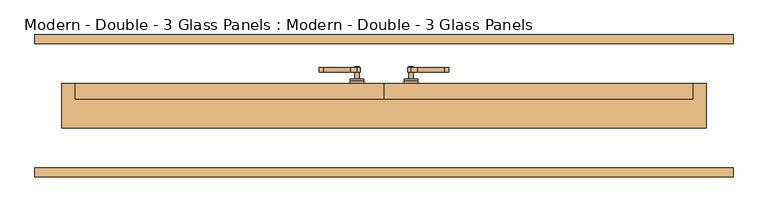
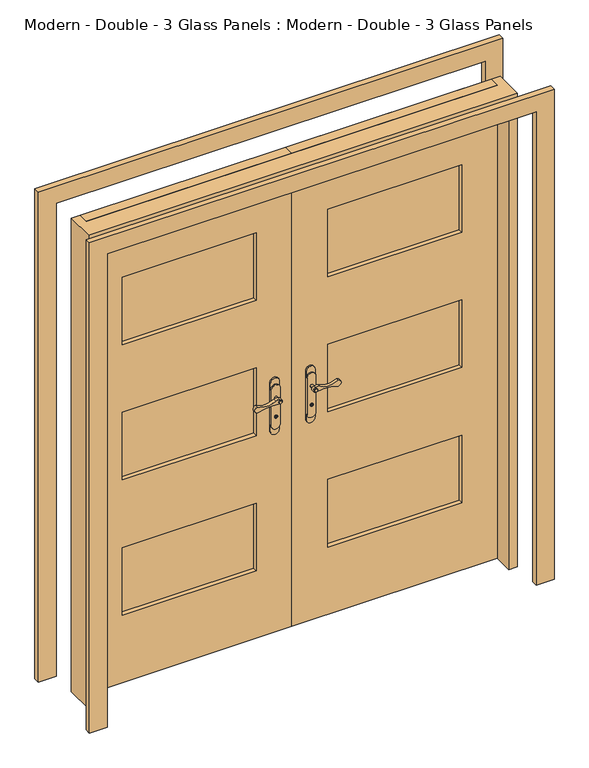
"""IFC4 building model written with IfcOpenShell, lengths in millimetres: door geometry, Modern - Double - 3 Glass Panels : Modern - Double - 3 Glass Panels."""

from ifc_helpers import new_model, si_unit, point, frame, frame_2d, origin, place, context, project, spatial, polyline, circle_curve, trimmed, segment, composite_curve, outline, extrude, source, transform, mapped, element, save
from ifc_brep_helpers import plane_surface, cylinder_surface, advanced_brep


def modern_double_3_glass_panels_modern_double_3_glass_panels_abd31b5a(model_context):
    return source(origin(), model_context, "Body", "SolidModel", [
        advanced_brep(
        [(95.25, 63.5, 1132.4166667), (57.15, 63.5, 1132.4166667), (57.15, 63.5, 916.5166667), (95.25, 63.5, 916.5166667), (95.25, 76.2, 1105.0743866), (95.25, 76.2, 943.8589467), (57.15, 76.2, 943.8589467), (57.15, 76.2, 1105.0743866), (95.25, 69.85, 916.5166667), (95.25, 69.85, 943.8589467), (95.25, 69.85, 1105.0743866), (95.25, 69.85, 1132.4166667), (57.15, 69.85, 1132.4166667), (57.15, 69.85, 1105.0743866), (57.15, 69.85, 943.8589467), (57.15, 69.85, 916.5166667)],
        [
            (0, 1, circle_curve(frame((76.2, 63.5, 1132.4166667), z_axis=(0.0, -1.0, 0.0), x_axis=(-1.0, 0.0, 0.0)), 19.05)),
            (1, 2),
            (2, 3, circle_curve(frame((76.2, 63.5, 916.5166667), z_axis=(0.0, -1.0, 0.0), x_axis=(-1.0, 0.0, 0.0)), 19.05)),
            (3, 0),
            (4, 5),
            (5, 6, circle_curve(frame((76.2, 76.2, 943.8589467), z_axis=(0.0, 1.0, 0.0), x_axis=(0.0, 0.0, -1.0)), 19.05)),
            (6, 7),
            (7, 4, circle_curve(frame((76.2, 76.2, 1105.0743866), z_axis=(0.0, 1.0, 0.0), x_axis=(0.0, 0.0, 1.0)), 19.05)),
            (3, 8),
            (8, 9),
            (9, 5),
            (4, 10),
            (10, 11),
            (11, 0),
            (1, 12),
            (12, 13),
            (13, 7),
            (6, 14),
            (14, 15),
            (15, 2),
            (15, 8, circle_curve(frame((76.2, 69.85, 916.5166667), z_axis=(0.0, -1.0, 0.0), x_axis=(-1.0, 0.0, 0.0)), 19.05)),
            (11, 12, circle_curve(frame((76.2, 69.85, 1132.4166667), z_axis=(0.0, -1.0, 0.0), x_axis=(-1.0, 0.0, 0.0)), 19.05)),
            (10, 13, circle_curve(frame((76.2, 69.85, 1105.0743866), z_axis=(0.0, -1.0, 0.0), x_axis=(0.0, 0.0, 1.0)), 19.05)),
            (14, 9, circle_curve(frame((76.2, 69.85, 943.8589467), z_axis=(0.0, -1.0, 0.0), x_axis=(0.0, 0.0, -1.0)), 19.05)),
        ],
        [
            plane_surface(frame((95.25, 63.5, 916.5166667), z_axis=(0.0, -1.0, 0.0), x_axis=(0.0, 0.0, -1.0))),
            plane_surface(frame((95.25, 76.2, 916.5166667), z_axis=(0.0, 1.0, 0.0), x_axis=(0.0, 0.0, 1.0))),
            plane_surface(frame((95.25, 63.5, 1132.4166667), z_axis=(1.0, 0.0, 0.0), x_axis=(0.0, 1.0, 0.0))),
            plane_surface(frame((57.15, 63.5, 916.5166667), z_axis=(-1.0, 0.0, 0.0), x_axis=(0.0, 1.0, 0.0))),
            cylinder_surface(frame((76.2, 76.2, 916.5166667), z_axis=(0.0, -1.0, 0.0), x_axis=(-1.0, 0.0, 0.0)), 19.05),
            cylinder_surface(frame((76.2, 76.2, 1132.4166667), z_axis=(0.0, -1.0, 0.0), x_axis=(-1.0, 0.0, 0.0)), 19.05),
            plane_surface(frame((76.2, 69.85, 1118.7455266), z_axis=(0.0, 1.0, 0.0), x_axis=(0.0, 0.0, 1.0))),
            cylinder_surface(frame((76.2, 76.2, 1105.0743866), z_axis=(0.0, -1.0, 0.0), x_axis=(0.0, 0.0, 1.0)), 19.05),
            plane_surface(frame((76.2, 69.85, 930.1878067), z_axis=(0.0, 1.0, 0.0), x_axis=(0.0, 0.0, -1.0))),
            cylinder_surface(frame((76.2, 76.2, 943.8589467), z_axis=(0.0, -1.0, 0.0), x_axis=(0.0, 0.0, -1.0)), 19.05),
        ],
        [
            (0, [[1, 2, 3, 4]]),
            (1, [[5, 6, 7, 8]]),
            (2, [[9, 10, 11, -5, 12, 13, 14, -4]]),
            (3, [[15, 16, 17, -7, 18, 19, 20, -2]]),
            (4, [[-20, 21, -9, -3]]),
            (5, [[-14, 22, -15, -1]]),
            (6, [[-16, -22, -13, 23]]),
            (7, [[-12, -8, -17, -23]]),
            (8, [[-10, -21, -19, 24]]),
            (9, [[-18, -6, -11, -24]]),
        ],
    ),
        extrude(outline(composite_curve([segment(trimmed(circle_curve(frame_2d((982.1333333, 76.2)), 6.35), [point((982.1333333, 82.55))], [point((982.1333333, 69.85))], False, "CARTESIAN"), True, "CONTINUOUS"), segment(trimmed(circle_curve(frame_2d((982.1333333, 76.2)), 6.35), [point((982.1333333, 69.85))], [point((982.1333333, 82.55))], False, "CARTESIAN"), True, "CONTINUOUS")], self_intersect=False), holes=[polyline([(981.4560325, 79.375), (981.4560325, 78.3483539), (980.5458333, 77.4381547), (981.687774, 76.296214), (980.5645366, 75.5741243), (981.7247245, 74.4139365), (980.5458333, 73.025), (982.9798553, 73.025), (983.7208333, 74.0832264), (982.8490687, 74.954991), (983.7208333, 76.2), (982.7550797, 77.7022656), (983.7208333, 79.375), (981.4560325, 79.375)])]), frame((0.0, 76.2, 0.0), z_axis=(0.0, 1.0, 0.0), x_axis=(0.0, 0.0, 1.0)), (0.0, 0.0, 1.0), 3.175),
        extrude(outline(composite_curve([segment(trimmed(circle_curve(frame_2d((1062.764615, 85.725)), 16.5713508), [point((1076.325, 95.25))], [point((1076.325, 76.2))], False, "CARTESIAN"), True, "CONTINUOUS"), segment(trimmed(circle_curve(frame_2d((1066.8, 76.2)), 9.525), [point((1076.325, 76.2))], [point((1057.2959575, 75.5684929))], False, "CARTESIAN"), True, "CONTINUOUS"), segment(trimmed(circle_curve(frame_2d((872.8577428, 111.465699)), 187.8990805), [point((1057.2959575, 75.5684929))], [point((1050.925, 171.45))], True, "CARTESIAN"), True, "CONTINUOUS"), segment(trimmed(circle_curve(frame_2d((1063.625, 171.45)), 12.7), [point((1050.925, 171.45))], [point((1076.325, 171.45))], False, "CARTESIAN"), True, "CONTINUOUS"), segment(trimmed(circle_curve(frame_2d((1146.9573284, 133.35)), 80.2529489), [point((1076.325, 171.45))], [point((1076.325, 95.25))], True, "CARTESIAN"), True, "CONTINUOUS")], self_intersect=False)), frame((0.0, 95.25, 0.0), z_axis=(0.0, 1.0, 0.0), x_axis=(0.0, 0.0, 1.0)), (0.0, 0.0, 1.0), 12.7),
        extrude(outline(composite_curve([segment(trimmed(circle_curve(frame_2d((1066.8, 76.2)), 6.35), [point((1066.8, 82.55))], [point((1066.8, 69.85))], False, "CARTESIAN"), True, "CONTINUOUS"), segment(trimmed(circle_curve(frame_2d((1066.8, 76.2)), 6.35), [point((1066.8, 69.85))], [point((1066.8, 82.55))], False, "CARTESIAN"), True, "CONTINUOUS")], self_intersect=False)), frame((0.0, 76.2, 0.0), z_axis=(0.0, 1.0, 0.0), x_axis=(0.0, 0.0, 1.0)), (0.0, 0.0, 1.0), 34.925),
        advanced_brep(
        [(95.25, 19.05, 1132.4166667), (95.25, 19.05, 916.5166667), (57.15, 19.05, 916.5166667), (57.15, 19.05, 1132.4166667), (95.25, 6.35, 1105.0743866), (57.15, 6.35, 1105.0743866), (57.15, 6.35, 943.8589467), (95.25, 6.35, 943.8589467), (95.25, 12.7, 1132.4166667), (95.25, 12.7, 1105.0743866), (95.25, 12.7, 943.8589467), (95.25, 12.7, 916.5166667), (57.15, 12.7, 916.5166667), (57.15, 12.7, 943.8589467), (57.15, 12.7, 1105.0743866), (57.15, 12.7, 1132.4166667)],
        [
            (0, 1),
            (1, 2, circle_curve(frame((76.2, 19.05, 916.5166667), z_axis=(0.0, 1.0, 0.0), x_axis=(-1.0, 0.0, 0.0)), 19.05)),
            (2, 3),
            (3, 0, circle_curve(frame((76.2, 19.05, 1132.4166667), z_axis=(0.0, 1.0, 0.0), x_axis=(-1.0, 0.0, 0.0)), 19.05)),
            (4, 5, circle_curve(frame((76.2, 6.35, 1105.0743866), z_axis=(0.0, -1.0, 0.0), x_axis=(0.0, 0.0, 1.0)), 19.05)),
            (5, 6),
            (6, 7, circle_curve(frame((76.2, 6.35, 943.8589467), z_axis=(0.0, -1.0, 0.0), x_axis=(0.0, 0.0, -1.0)), 19.05)),
            (7, 4),
            (0, 8),
            (8, 9),
            (9, 4),
            (7, 10),
            (10, 11),
            (11, 1),
            (2, 12),
            (12, 13),
            (13, 6),
            (5, 14),
            (14, 15),
            (15, 3),
            (11, 12, circle_curve(frame((76.2, 12.7, 916.5166667), z_axis=(0.0, 1.0, 0.0), x_axis=(-1.0, 0.0, 0.0)), 19.05)),
            (15, 8, circle_curve(frame((76.2, 12.7, 1132.4166667), z_axis=(0.0, 1.0, 0.0), x_axis=(-1.0, 0.0, 0.0)), 19.05)),
            (14, 9, circle_curve(frame((76.2, 12.7, 1105.0743866), z_axis=(0.0, 1.0, 0.0), x_axis=(0.0, 0.0, 1.0)), 19.05)),
            (10, 13, circle_curve(frame((76.2, 12.7, 943.8589467), z_axis=(0.0, 1.0, 0.0), x_axis=(0.0, 0.0, -1.0)), 19.05)),
        ],
        [
            plane_surface(frame((95.25, 19.05, 916.5166667), z_axis=(0.0, 1.0, 0.0), x_axis=(0.0, 0.0, -1.0))),
            plane_surface(frame((95.25, 6.35, 916.5166667), z_axis=(0.0, -1.0, 0.0), x_axis=(0.0, 0.0, 1.0))),
            plane_surface(frame((95.25, 19.05, 1132.4166667), z_axis=(1.0, 0.0, 0.0), x_axis=(0.0, -1.0, 0.0))),
            plane_surface(frame((57.15, 19.05, 916.5166667), z_axis=(-1.0, 0.0, 0.0), x_axis=(0.0, -1.0, 0.0))),
            cylinder_surface(frame((76.2, 6.35, 916.5166667), z_axis=(0.0, 1.0, 0.0), x_axis=(-1.0, 0.0, 0.0)), 19.05),
            cylinder_surface(frame((76.2, 6.35, 1132.4166667), z_axis=(0.0, 1.0, 0.0), x_axis=(-1.0, 0.0, 0.0)), 19.05),
            plane_surface(frame((76.2, 12.7, 1118.7455266), z_axis=(0.0, -1.0, 0.0), x_axis=(0.0, 0.0, 1.0))),
            cylinder_surface(frame((76.2, 6.35, 1105.0743866), z_axis=(0.0, 1.0, 0.0), x_axis=(0.0, 0.0, 1.0)), 19.05),
            plane_surface(frame((76.2, 12.7, 930.1878067), z_axis=(0.0, -1.0, 0.0), x_axis=(0.0, 0.0, -1.0))),
            cylinder_surface(frame((76.2, 6.35, 943.8589467), z_axis=(0.0, 1.0, 0.0), x_axis=(0.0, 0.0, -1.0)), 19.05),
        ],
        [
            (0, [[1, 2, 3, 4]]),
            (1, [[5, 6, 7, 8]]),
            (2, [[-1, 9, 10, 11, -8, 12, 13, 14]]),
            (3, [[-3, 15, 16, 17, -6, 18, 19, 20]]),
            (4, [[-2, -14, 21, -15]]),
            (5, [[-4, -20, 22, -9]]),
            (6, [[23, -10, -22, -19]]),
            (7, [[-23, -18, -5, -11]]),
            (8, [[24, -16, -21, -13]]),
            (9, [[-24, -12, -7, -17]]),
        ],
    ),
        extrude(outline(composite_curve([segment(trimmed(circle_curve(frame_2d((982.1333333, 76.2)), 6.35), [point((982.1333333, 82.55))], [point((982.1333333, 69.85))], False, "CARTESIAN"), True, "CONTINUOUS"), segment(trimmed(circle_curve(frame_2d((982.1333333, 76.2)), 6.35), [point((982.1333333, 69.85))], [point((982.1333333, 82.55))], False, "CARTESIAN"), True, "CONTINUOUS")], self_intersect=False), holes=[polyline([(981.4560325, 79.375), (981.4560325, 78.3483539), (980.5458333, 77.4381547), (981.687774, 76.296214), (980.5645366, 75.5741243), (981.7247245, 74.4139365), (980.5458333, 73.025), (982.9798553, 73.025), (983.7208333, 74.0832264), (982.8490687, 74.954991), (983.7208333, 76.2), (982.7550797, 77.7022656), (983.7208333, 79.375), (981.4560325, 79.375)])]), frame((0.0, 3.175, 0.0), z_axis=(0.0, 1.0, 0.0), x_axis=(0.0, 0.0, 1.0)), (0.0, 0.0, 1.0), 3.175),
        extrude(outline(composite_curve([segment(trimmed(circle_curve(frame_2d((1062.764615, 85.725)), 16.5713508), [point((1076.325, 95.25))], [point((1076.325, 76.2))], False, "CARTESIAN"), True, "CONTINUOUS"), segment(trimmed(circle_curve(frame_2d((1066.8, 76.2)), 9.525), [point((1076.325, 76.2))], [point((1057.2959575, 75.5684929))], False, "CARTESIAN"), True, "CONTINUOUS"), segment(trimmed(circle_curve(frame_2d((872.8577428, 111.465699)), 187.8990805), [point((1057.2959575, 75.5684929))], [point((1050.925, 171.45))], True, "CARTESIAN"), True, "CONTINUOUS"), segment(trimmed(circle_curve(frame_2d((1063.625, 171.45)), 12.7), [point((1050.925, 171.45))], [point((1076.325, 171.45))], False, "CARTESIAN"), True, "CONTINUOUS"), segment(trimmed(circle_curve(frame_2d((1146.9573284, 133.35)), 80.2529489), [point((1076.325, 171.45))], [point((1076.325, 95.25))], True, "CARTESIAN"), True, "CONTINUOUS")], self_intersect=False)), frame((0.0, -25.4, 0.0), z_axis=(0.0, 1.0, 0.0), x_axis=(0.0, 0.0, 1.0)), (0.0, 0.0, 1.0), 12.7),
        extrude(outline(composite_curve([segment(trimmed(circle_curve(frame_2d((1066.8, 76.2)), 6.35), [point((1066.8, 82.55))], [point((1066.8, 69.85))], False, "CARTESIAN"), True, "CONTINUOUS"), segment(trimmed(circle_curve(frame_2d((1066.8, 76.2)), 6.35), [point((1066.8, 69.85))], [point((1066.8, 82.55))], False, "CARTESIAN"), True, "CONTINUOUS")], self_intersect=False)), frame((0.0, -28.575, 0.0), z_axis=(0.0, 1.0, 0.0), x_axis=(0.0, 0.0, 1.0)), (0.0, 0.0, 1.0), 34.925),
        extrude(outline(polyline([(152.4, 44.45), (723.9, 44.45), (723.9, 38.1), (152.4, 38.1), (152.4, 44.45)])), frame((0.0, 0.0, 1524.0), z_axis=(0.0, 0.0, 1.0), x_axis=(1.0, 0.0, 0.0)), (0.0, 0.0, 1.0), 304.8),
        extrude(outline(polyline([(152.4, 44.45), (723.9, 44.45), (723.9, 38.1), (152.4, 38.1), (152.4, 44.45)])), frame((0.0, 0.0, 914.4), z_axis=(0.0, 0.0, 1.0), x_axis=(1.0, 0.0, 0.0)), (0.0, 0.0, 1.0), 304.8),
        extrude(outline(polyline([(152.4, 44.45), (723.9, 44.45), (723.9, 38.1), (152.4, 38.1), (152.4, 44.45)])), frame((0.0, 0.0, 304.8), z_axis=(0.0, 0.0, 1.0), x_axis=(1.0, 0.0, 0.0)), (0.0, 0.0, 1.0), 304.8),
        extrude(outline(polyline([(2133.6, 0.0), (0.0, 0.0), (0.0, 876.3), (2133.6, 876.3), (2133.6, 0.0)]), holes=[polyline([(1828.8, 152.4), (1828.8, 723.9), (1524.0, 723.9), (1524.0, 152.4), (1828.8, 152.4)]), polyline([(1219.2, 152.4), (1219.2, 723.9), (914.4, 723.9), (914.4, 152.4), (1219.2, 152.4)]), polyline([(609.6, 152.4), (609.6, 723.9), (304.8, 723.9), (304.8, 152.4), (609.6, 152.4)])]), frame((0.0, 19.05, 0.0), z_axis=(0.0, 1.0, 0.0), x_axis=(0.0, 0.0, 1.0)), (0.0, 0.0, 1.0), 44.45),
        advanced_brep(
        [(-95.25, 19.05, 1132.4166667), (-57.15, 19.05, 1132.4166667), (-57.15, 19.05, 916.5166667), (-95.25, 19.05, 916.5166667), (-95.25, 6.35, 1105.0743866), (-95.25, 6.35, 943.8589467), (-57.15, 6.35, 943.8589467), (-57.15, 6.35, 1105.0743866), (-95.25, 12.7, 916.5166667), (-95.25, 12.7, 943.8589467), (-95.25, 12.7, 1105.0743866), (-95.25, 12.7, 1132.4166667), (-57.15, 12.7, 1132.4166667), (-57.15, 12.7, 1105.0743866), (-57.15, 12.7, 943.8589467), (-57.15, 12.7, 916.5166667)],
        [
            (0, 1, circle_curve(frame((-76.2, 19.05, 1132.4166667), z_axis=(0.0, 1.0, 0.0), x_axis=(1.0, 0.0, 0.0)), 19.05)),
            (1, 2),
            (2, 3, circle_curve(frame((-76.2, 19.05, 916.5166667), z_axis=(0.0, 1.0, 0.0), x_axis=(1.0, 0.0, 0.0)), 19.05)),
            (3, 0),
            (4, 5),
            (5, 6, circle_curve(frame((-76.2, 6.35, 943.8589467), z_axis=(0.0, -1.0, 0.0), x_axis=(0.0, 0.0, -1.0)), 19.05)),
            (6, 7),
            (7, 4, circle_curve(frame((-76.2, 6.35, 1105.0743866), z_axis=(0.0, -1.0, 0.0), x_axis=(0.0, 0.0, 1.0)), 19.05)),
            (3, 8),
            (8, 9),
            (9, 5),
            (4, 10),
            (10, 11),
            (11, 0),
            (1, 12),
            (12, 13),
            (13, 7),
            (6, 14),
            (14, 15),
            (15, 2),
            (15, 8, circle_curve(frame((-76.2, 12.7, 916.5166667), z_axis=(0.0, 1.0, 0.0), x_axis=(1.0, 0.0, 0.0)), 19.05)),
            (11, 12, circle_curve(frame((-76.2, 12.7, 1132.4166667), z_axis=(0.0, 1.0, 0.0), x_axis=(1.0, 0.0, 0.0)), 19.05)),
            (10, 13, circle_curve(frame((-76.2, 12.7, 1105.0743866), z_axis=(0.0, 1.0, 0.0), x_axis=(0.0, 0.0, 1.0)), 19.05)),
            (14, 9, circle_curve(frame((-76.2, 12.7, 943.8589467), z_axis=(0.0, 1.0, 0.0), x_axis=(0.0, 0.0, -1.0)), 19.05)),
        ],
        [
            plane_surface(frame((-95.25, 19.05, 916.5166667), z_axis=(0.0, 1.0, 0.0), x_axis=(0.0, 0.0, -1.0))),
            plane_surface(frame((-95.25, 6.35, 916.5166667), z_axis=(0.0, -1.0, 0.0), x_axis=(0.0, 0.0, 1.0))),
            plane_surface(frame((-95.25, 19.05, 1132.4166667), z_axis=(-1.0, 0.0, 0.0), x_axis=(0.0, -1.0, 0.0))),
            plane_surface(frame((-57.15, 19.05, 916.5166667), z_axis=(1.0, 0.0, 0.0), x_axis=(0.0, -1.0, 0.0))),
            cylinder_surface(frame((-76.2, 6.35, 916.5166667), z_axis=(0.0, 1.0, 0.0), x_axis=(1.0, 0.0, 0.0)), 19.05),
            cylinder_surface(frame((-76.2, 6.35, 1132.4166667), z_axis=(0.0, 1.0, 0.0), x_axis=(1.0, 0.0, 0.0)), 19.05),
            plane_surface(frame((-76.2, 12.7, 1118.7455266), z_axis=(0.0, -1.0, 0.0), x_axis=(0.0, 0.0, 1.0))),
            cylinder_surface(frame((-76.2, 6.35, 1105.0743866), z_axis=(0.0, 1.0, 0.0), x_axis=(0.0, 0.0, 1.0)), 19.05),
            plane_surface(frame((-76.2, 12.7, 930.1878067), z_axis=(0.0, -1.0, 0.0), x_axis=(0.0, 0.0, -1.0))),
            cylinder_surface(frame((-76.2, 6.35, 943.8589467), z_axis=(0.0, 1.0, 0.0), x_axis=(0.0, 0.0, -1.0)), 19.05),
        ],
        [
            (0, [[1, 2, 3, 4]]),
            (1, [[5, 6, 7, 8]]),
            (2, [[9, 10, 11, -5, 12, 13, 14, -4]]),
            (3, [[15, 16, 17, -7, 18, 19, 20, -2]]),
            (4, [[-20, 21, -9, -3]]),
            (5, [[-14, 22, -15, -1]]),
            (6, [[-16, -22, -13, 23]]),
            (7, [[-12, -8, -17, -23]]),
            (8, [[-10, -21, -19, 24]]),
            (9, [[-18, -6, -11, -24]]),
        ],
    ),
        extrude(outline(composite_curve([segment(trimmed(circle_curve(frame_2d((982.1333333, -76.2)), 6.35), [point((982.1333333, -82.55))], [point((982.1333333, -69.85))], False, "CARTESIAN"), True, "CONTINUOUS"), segment(trimmed(circle_curve(frame_2d((982.1333333, -76.2)), 6.35), [point((982.1333333, -69.85))], [point((982.1333333, -82.55))], False, "CARTESIAN"), True, "CONTINUOUS")], self_intersect=False), holes=[polyline([(981.4560325, -79.375), (983.7208333, -79.375), (982.7550797, -77.7022656), (983.7208333, -76.2), (982.8490687, -74.954991), (983.7208333, -74.0832264), (982.9798553, -73.025), (980.5458333, -73.025), (981.7247245, -74.4139365), (980.5645366, -75.5741243), (981.687774, -76.296214), (980.5458333, -77.4381547), (981.4560325, -78.3483539), (981.4560325, -79.375)])]), frame((0.0, 3.175, 0.0), z_axis=(0.0, 1.0, 0.0), x_axis=(0.0, 0.0, 1.0)), (0.0, 0.0, 1.0), 3.175),
        extrude(outline(composite_curve([segment(trimmed(circle_curve(frame_2d((1146.9573284, -133.35)), 80.2529489), [point((1076.325, -95.25))], [point((1076.325, -171.45))], True, "CARTESIAN"), True, "CONTINUOUS"), segment(trimmed(circle_curve(frame_2d((1063.625, -171.45)), 12.7), [point((1076.325, -171.45))], [point((1050.925, -171.45))], False, "CARTESIAN"), True, "CONTINUOUS"), segment(trimmed(circle_curve(frame_2d((872.8577428, -111.465699)), 187.8990805), [point((1050.925, -171.45))], [point((1057.2959575, -75.5684929))], True, "CARTESIAN"), True, "CONTINUOUS"), segment(trimmed(circle_curve(frame_2d((1066.8, -76.2)), 9.525), [point((1057.2959575, -75.5684929))], [point((1076.325, -76.2))], False, "CARTESIAN"), True, "CONTINUOUS"), segment(trimmed(circle_curve(frame_2d((1062.764615, -85.725)), 16.5713508), [point((1076.325, -76.2))], [point((1076.325, -95.25))], False, "CARTESIAN"), True, "CONTINUOUS")], self_intersect=False)), frame((0.0, -25.4, 0.0), z_axis=(0.0, 1.0, 0.0), x_axis=(0.0, 0.0, 1.0)), (0.0, 0.0, 1.0), 12.7),
        extrude(outline(composite_curve([segment(trimmed(circle_curve(frame_2d((1066.8, -76.2)), 6.35), [point((1066.8, -82.55))], [point((1066.8, -69.85))], False, "CARTESIAN"), True, "CONTINUOUS"), segment(trimmed(circle_curve(frame_2d((1066.8, -76.2)), 6.35), [point((1066.8, -69.85))], [point((1066.8, -82.55))], False, "CARTESIAN"), True, "CONTINUOUS")], self_intersect=False)), frame((0.0, -28.575, 0.0), z_axis=(0.0, 1.0, 0.0), x_axis=(0.0, 0.0, 1.0)), (0.0, 0.0, 1.0), 34.925),
        advanced_brep(
        [(-95.25, 63.5, 1132.4166667), (-95.25, 63.5, 916.5166667), (-57.15, 63.5, 916.5166667), (-57.15, 63.5, 1132.4166667), (-95.25, 76.2, 1105.0743866), (-57.15, 76.2, 1105.0743866), (-57.15, 76.2, 943.8589467), (-95.25, 76.2, 943.8589467), (-95.25, 69.85, 1132.4166667), (-95.25, 69.85, 1105.0743866), (-95.25, 69.85, 943.8589467), (-95.25, 69.85, 916.5166667), (-57.15, 69.85, 916.5166667), (-57.15, 69.85, 943.8589467), (-57.15, 69.85, 1105.0743866), (-57.15, 69.85, 1132.4166667)],
        [
            (0, 1),
            (1, 2, circle_curve(frame((-76.2, 63.5, 916.5166667), z_axis=(0.0, -1.0, 0.0), x_axis=(1.0, 0.0, 0.0)), 19.05)),
            (2, 3),
            (3, 0, circle_curve(frame((-76.2, 63.5, 1132.4166667), z_axis=(0.0, -1.0, 0.0), x_axis=(1.0, 0.0, 0.0)), 19.05)),
            (4, 5, circle_curve(frame((-76.2, 76.2, 1105.0743866), z_axis=(0.0, 1.0, 0.0), x_axis=(0.0, 0.0, 1.0)), 19.05)),
            (5, 6),
            (6, 7, circle_curve(frame((-76.2, 76.2, 943.8589467), z_axis=(0.0, 1.0, 0.0), x_axis=(0.0, 0.0, -1.0)), 19.05)),
            (7, 4),
            (0, 8),
            (8, 9),
            (9, 4),
            (7, 10),
            (10, 11),
            (11, 1),
            (2, 12),
            (12, 13),
            (13, 6),
            (5, 14),
            (14, 15),
            (15, 3),
            (11, 12, circle_curve(frame((-76.2, 69.85, 916.5166667), z_axis=(0.0, -1.0, 0.0), x_axis=(1.0, 0.0, 0.0)), 19.05)),
            (15, 8, circle_curve(frame((-76.2, 69.85, 1132.4166667), z_axis=(0.0, -1.0, 0.0), x_axis=(1.0, 0.0, 0.0)), 19.05)),
            (14, 9, circle_curve(frame((-76.2, 69.85, 1105.0743866), z_axis=(0.0, -1.0, 0.0), x_axis=(0.0, 0.0, 1.0)), 19.05)),
            (10, 13, circle_curve(frame((-76.2, 69.85, 943.8589467), z_axis=(0.0, -1.0, 0.0), x_axis=(0.0, 0.0, -1.0)), 19.05)),
        ],
        [
            plane_surface(frame((-95.25, 63.5, 916.5166667), z_axis=(0.0, -1.0, 0.0), x_axis=(0.0, 0.0, -1.0))),
            plane_surface(frame((-95.25, 76.2, 916.5166667), z_axis=(0.0, 1.0, 0.0), x_axis=(0.0, 0.0, 1.0))),
            plane_surface(frame((-95.25, 63.5, 1132.4166667), z_axis=(-1.0, 0.0, 0.0), x_axis=(0.0, 1.0, 0.0))),
            plane_surface(frame((-57.15, 63.5, 916.5166667), z_axis=(1.0, 0.0, 0.0), x_axis=(0.0, 1.0, 0.0))),
            cylinder_surface(frame((-76.2, 76.2, 916.5166667), z_axis=(0.0, -1.0, 0.0), x_axis=(1.0, 0.0, 0.0)), 19.05),
            cylinder_surface(frame((-76.2, 76.2, 1132.4166667), z_axis=(0.0, -1.0, 0.0), x_axis=(1.0, 0.0, 0.0)), 19.05),
            plane_surface(frame((-76.2, 69.85, 1118.7455266), z_axis=(0.0, 1.0, 0.0), x_axis=(0.0, 0.0, 1.0))),
            cylinder_surface(frame((-76.2, 76.2, 1105.0743866), z_axis=(0.0, -1.0, 0.0), x_axis=(0.0, 0.0, 1.0)), 19.05),
            plane_surface(frame((-76.2, 69.85, 930.1878067), z_axis=(0.0, 1.0, 0.0), x_axis=(0.0, 0.0, -1.0))),
            cylinder_surface(frame((-76.2, 76.2, 943.8589467), z_axis=(0.0, -1.0, 0.0), x_axis=(0.0, 0.0, -1.0)), 19.05),
        ],
        [
            (0, [[1, 2, 3, 4]]),
            (1, [[5, 6, 7, 8]]),
            (2, [[-1, 9, 10, 11, -8, 12, 13, 14]]),
            (3, [[-3, 15, 16, 17, -6, 18, 19, 20]]),
            (4, [[-2, -14, 21, -15]]),
            (5, [[-4, -20, 22, -9]]),
            (6, [[23, -10, -22, -19]]),
            (7, [[-23, -18, -5, -11]]),
            (8, [[24, -16, -21, -13]]),
            (9, [[-24, -12, -7, -17]]),
        ],
    ),
        extrude(outline(composite_curve([segment(trimmed(circle_curve(frame_2d((982.1333333, -76.2)), 6.35), [point((982.1333333, -82.55))], [point((982.1333333, -69.85))], False, "CARTESIAN"), True, "CONTINUOUS"), segment(trimmed(circle_curve(frame_2d((982.1333333, -76.2)), 6.35), [point((982.1333333, -69.85))], [point((982.1333333, -82.55))], False, "CARTESIAN"), True, "CONTINUOUS")], self_intersect=False), holes=[polyline([(981.4560325, -79.375), (983.7208333, -79.375), (982.7550797, -77.7022656), (983.7208333, -76.2), (982.8490687, -74.954991), (983.7208333, -74.0832264), (982.9798553, -73.025), (980.5458333, -73.025), (981.7247245, -74.4139365), (980.5645366, -75.5741243), (981.687774, -76.296214), (980.5458333, -77.4381547), (981.4560325, -78.3483539), (981.4560325, -79.375)])]), frame((0.0, 76.2, 0.0), z_axis=(0.0, 1.0, 0.0), x_axis=(0.0, 0.0, 1.0)), (0.0, 0.0, 1.0), 3.175),
        extrude(outline(composite_curve([segment(trimmed(circle_curve(frame_2d((1146.9573284, -133.35)), 80.2529489), [point((1076.325, -95.25))], [point((1076.325, -171.45))], True, "CARTESIAN"), True, "CONTINUOUS"), segment(trimmed(circle_curve(frame_2d((1063.625, -171.45)), 12.7), [point((1076.325, -171.45))], [point((1050.925, -171.45))], False, "CARTESIAN"), True, "CONTINUOUS"), segment(trimmed(circle_curve(frame_2d((872.8577428, -111.465699)), 187.8990805), [point((1050.925, -171.45))], [point((1057.2959575, -75.5684929))], True, "CARTESIAN"), True, "CONTINUOUS"), segment(trimmed(circle_curve(frame_2d((1066.8, -76.2)), 9.525), [point((1057.2959575, -75.5684929))], [point((1076.325, -76.2))], False, "CARTESIAN"), True, "CONTINUOUS"), segment(trimmed(circle_curve(frame_2d((1062.764615, -85.725)), 16.5713508), [point((1076.325, -76.2))], [point((1076.325, -95.25))], False, "CARTESIAN"), True, "CONTINUOUS")], self_intersect=False)), frame((0.0, 95.25, 0.0), z_axis=(0.0, 1.0, 0.0), x_axis=(0.0, 0.0, 1.0)), (0.0, 0.0, 1.0), 12.7),
        extrude(outline(composite_curve([segment(trimmed(circle_curve(frame_2d((1066.8, -76.2)), 6.35), [point((1066.8, -82.55))], [point((1066.8, -69.85))], False, "CARTESIAN"), True, "CONTINUOUS"), segment(trimmed(circle_curve(frame_2d((1066.8, -76.2)), 6.35), [point((1066.8, -69.85))], [point((1066.8, -82.55))], False, "CARTESIAN"), True, "CONTINUOUS")], self_intersect=False)), frame((0.0, 76.2, 0.0), z_axis=(0.0, 1.0, 0.0), x_axis=(0.0, 0.0, 1.0)), (0.0, 0.0, 1.0), 34.925),
        extrude(outline(polyline([(-152.4, 38.1), (-723.9, 38.1), (-723.9, 44.45), (-152.4, 44.45), (-152.4, 38.1)])), frame((0.0, 0.0, 1524.0), z_axis=(0.0, 0.0, 1.0), x_axis=(1.0, 0.0, 0.0)), (0.0, 0.0, 1.0), 304.8),
        extrude(outline(polyline([(-152.4, 38.1), (-723.9, 38.1), (-723.9, 44.45), (-152.4, 44.45), (-152.4, 38.1)])), frame((0.0, 0.0, 914.4), z_axis=(0.0, 0.0, 1.0), x_axis=(1.0, 0.0, 0.0)), (0.0, 0.0, 1.0), 304.8),
        extrude(outline(polyline([(-152.4, 38.1), (-723.9, 38.1), (-723.9, 44.45), (-152.4, 44.45), (-152.4, 38.1)])), frame((0.0, 0.0, 304.8), z_axis=(0.0, 0.0, 1.0), x_axis=(1.0, 0.0, 0.0)), (0.0, 0.0, 1.0), 304.8),
        extrude(outline(polyline([(2133.6, 0.0), (2133.6, -876.3), (0.0, -876.3), (0.0, 0.0), (2133.6, 0.0)]), holes=[polyline([(1828.8, -152.4), (1524.0, -152.4), (1524.0, -723.9), (1828.8, -723.9), (1828.8, -152.4)]), polyline([(1219.2, -152.4), (914.4, -152.4), (914.4, -723.9), (1219.2, -723.9), (1219.2, -152.4)]), polyline([(609.6, -152.4), (304.8, -152.4), (304.8, -723.9), (609.6, -723.9), (609.6, -152.4)])]), frame((0.0, 19.05, 0.0), z_axis=(0.0, 1.0, 0.0), x_axis=(0.0, 0.0, 1.0)), (0.0, 0.0, 1.0), 44.45),
        extrude(outline(polyline([(2133.6, -914.4), (2133.6, 914.4), (0.0, 914.4), (0.0, 990.6), (2209.8, 990.6), (2209.8, -990.6), (0.0, -990.6), (0.0, -914.4), (2133.6, -914.4)])), frame((0.0, 176.2125, 0.0), z_axis=(0.0, 1.0, 0.0), x_axis=(0.0, 0.0, 1.0)), (0.0, 0.0, 1.0), 25.4),
        extrude(outline(polyline([(2133.6, -914.4), (2133.6, 914.4), (0.0, 914.4), (0.0, 990.6), (2209.8, 990.6), (2209.8, -990.6), (0.0, -990.6), (0.0, -914.4), (2133.6, -914.4)])), frame((0.0, -201.6125, 0.0), z_axis=(0.0, 1.0, 0.0), x_axis=(0.0, 0.0, 1.0)), (0.0, 0.0, 1.0), 25.4),
        extrude(outline(polyline([(0.0, 876.3), (0.0, 914.4), (2133.6, 914.4), (2133.6, -914.4), (0.0, -914.4), (0.0, -876.3), (2095.5, -876.3), (2095.5, 876.3), (0.0, 876.3)])), frame((0.0, -63.5, 0.0), z_axis=(0.0, 1.0, 0.0), x_axis=(0.0, 0.0, 1.0)), (0.0, 0.0, 1.0), 127.0),
    ])


if __name__ == "__main__":
    model = new_model("IFC4")
    model_context = context("Model", 3, world=origin())
    ifc_project = project(units=[si_unit("LENGTHUNIT", "METRE", prefix="MILLI")], contexts=[model_context])
    site = spatial("IfcSite", under=ifc_project)
    building = spatial("IfcBuilding", under=site)
    placement = place(None, origin())
    modern_double_3_glass_panels_modern_double_3_glass_panels_shape = modern_double_3_glass_panels_modern_double_3_glass_panels_abd31b5a(model_context)
    element("IfcDoor", 1, ObjectType="Modern - Double - 3 Glass Panels : Modern - Double - 3 Glass Panels", at=placement, inside=building, context=model_context, shape_type="MappedRepresentation", body=[
        mapped(modern_double_3_glass_panels_modern_double_3_glass_panels_shape, transform((0.0, 0.0, 0.0), x_axis=(1.0, 0.0, 0.0), y_axis=(0.0, 1.0, 0.0), z_axis=(0.0, 0.0, 1.0))),
    ])
    save(model, "model.ifc")
